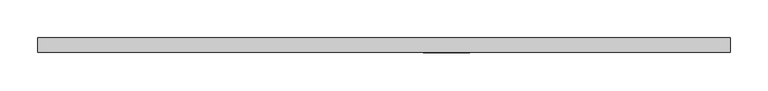
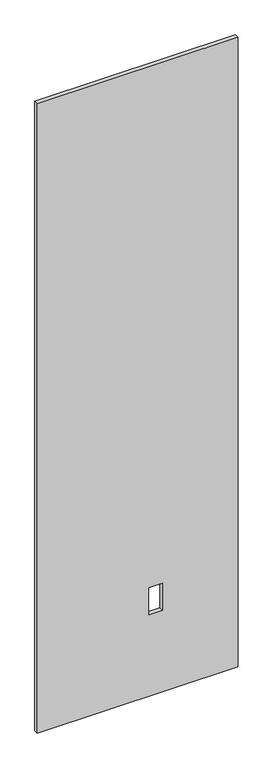
"""IFC4 building model written with IfcOpenShell, lengths in millimetres: proxy geometry."""

from ifc_helpers import new_model, si_unit, frame, origin, place, context, project, spatial, polyline, outline, extrude, source, transform, mapped, element, save


def specialty_equipment_496aef82(model_context):
    return source(origin(), model_context, "Body", "SweptSolid", [
        extrude(outline(polyline([(3016.25, 455.4056163), (3016.25, -455.4056163), (3.175, -455.4056163), (3.175, 455.4056163), (3016.25, 455.4056163)]), holes=[polyline([(522.478, 112.8268), (391.922, 112.8268), (391.922, 51.3588), (522.478, 51.3588), (522.478, 112.8268)])]), frame((0.0, -9.525, 0.0), z_axis=(0.0, 1.0, 0.0), x_axis=(0.0, 0.0, 1.0)), (0.0, 0.0, 1.0), 19.05),
    ])


if __name__ == "__main__":
    model = new_model("IFC4")
    model_context = context("Model", 3, world=origin())
    ifc_project = project(units=[si_unit("LENGTHUNIT", "METRE", prefix="MILLI")], contexts=[model_context])
    site = spatial("IfcSite", under=ifc_project)
    building = spatial("IfcBuilding", under=site)
    placement = place(None, origin())
    specialty_equipment_shape = specialty_equipment_496aef82(model_context)
    element("IfcBuildingElementProxy", 1, Name="Specialty Equipment", at=placement, inside=building, context=model_context, shape_type="MappedRepresentation", body=[
        mapped(specialty_equipment_shape, transform((0.0, 0.0, 0.0), x_axis=(1.0, 0.0, 0.0), y_axis=(0.0, 1.0, 0.0), z_axis=(0.0, 0.0, 1.0))),
    ])
    save(model, "model.ifc")
